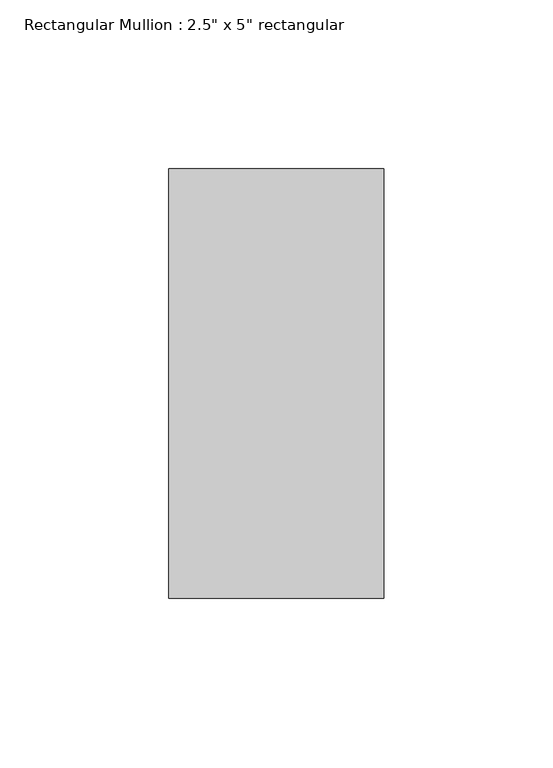
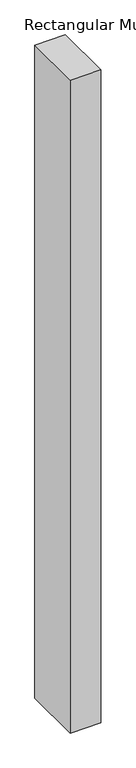
"""IFC4 building model written with IfcOpenShell, lengths in millimetres: member geometry."""

from ifc_helpers import new_model, si_unit, frame, origin, place, context, project, spatial, polyline, outline, extrude, source, transform, mapped, element, save


def member_844d7cd7(model_context):
    return source(origin(), model_context, "Body", "SweptSolid", [
        extrude(outline(polyline([(31.75, 63.5), (31.75, -63.5), (-31.75, -63.5), (-31.75, 63.5), (31.75, 63.5)])), frame((0.0, 0.0, -1435.1), z_axis=(0.0, 0.0, 1.0), x_axis=(1.0, 0.0, 0.0)), (0.0, 0.0, 1.0), 1435.1),
    ])


if __name__ == "__main__":
    model = new_model("IFC4")
    model_context = context("Model", 3, world=origin())
    ifc_project = project(units=[si_unit("LENGTHUNIT", "METRE", prefix="MILLI")], contexts=[model_context])
    site = spatial("IfcSite", under=ifc_project)
    building = spatial("IfcBuilding", under=site)
    placement = place(None, origin())
    member_shape = member_844d7cd7(model_context)
    element("IfcMember", 1, ObjectType="Rectangular Mullion : 2.5\" x 5\" rectangular", at=placement, inside=building, context=model_context, shape_type="MappedRepresentation", body=[
        mapped(member_shape, transform((0.0, 0.0, 0.0), x_axis=(1.0, 0.0, 0.0), y_axis=(0.0, 1.0, 0.0), z_axis=(0.0, 0.0, 1.0))),
    ])
    save(model, "model.ifc")
